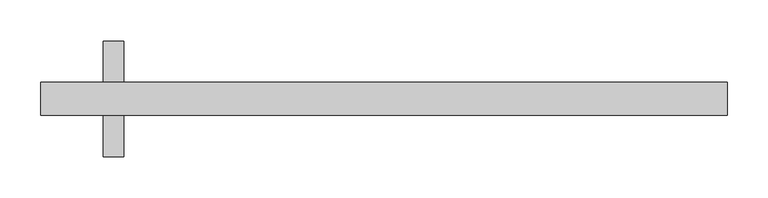
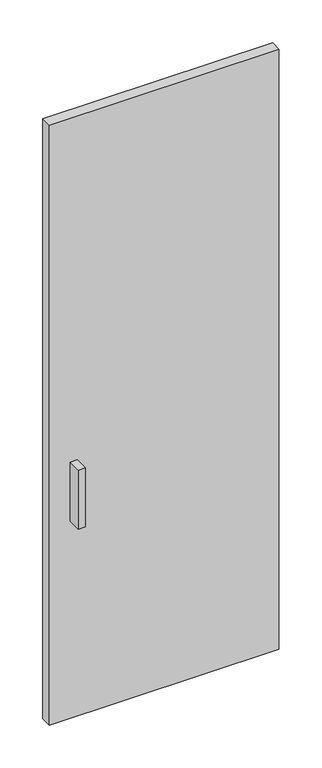
"""IFC4 building model written with IfcOpenShell, lengths in millimetres: plate geometry."""

from ifc_helpers import new_model, si_unit, frame, origin, origin_with_axes, place, context, project, spatial, polyline, outline, extrude, source, transform, mapped, element, save


def plate_e3828597(model_context):
    return source(origin(), model_context, "Body", "SweptSolid", [
        extrude(outline(polyline([(-318.4, 39.8), (-318.4, -11.0), (-343.8, -11.0), (-343.8, 39.8), (-318.4, 39.8)])), frame((0.0, 0.0, 762.0), z_axis=(0.0, 0.0, 1.0), x_axis=(1.0, 0.0, 0.0)), (0.0, 0.0, 1.0), 228.6),
        extrude(outline(polyline([(-343.8, -101.8), (-343.8, -51.0), (-318.4, -51.0), (-318.4, -101.8), (-343.8, -101.8)])), frame((0.0, 0.0, 762.0), z_axis=(0.0, 0.0, 1.0), x_axis=(1.0, 0.0, 0.0)), (0.0, 0.0, 1.0), 228.6),
        extrude(outline(polyline([(420.0, -51.0), (-420.0, -51.0), (-420.0, -11.0), (420.0, -11.0), (420.0, -51.0)])), origin_with_axes(), (0.0, 0.0, 1.0), 2320.0),
    ])


if __name__ == "__main__":
    model = new_model("IFC4")
    model_context = context("Model", 3, world=origin())
    ifc_project = project(units=[si_unit("LENGTHUNIT", "METRE", prefix="MILLI")], contexts=[model_context])
    site = spatial("IfcSite", under=ifc_project)
    building = spatial("IfcBuilding", under=site)
    placement = place(None, origin())
    plate_shape = plate_e3828597(model_context)
    element("IfcPlate", 1, at=placement, inside=building, context=model_context, shape_type="MappedRepresentation", body=[
        mapped(plate_shape, transform((0.0, 0.0, 0.0), x_axis=(1.0, 0.0, 0.0), y_axis=(0.0, 1.0, 0.0), z_axis=(0.0, 0.0, 1.0))),
    ])
    save(model, "model.ifc")
